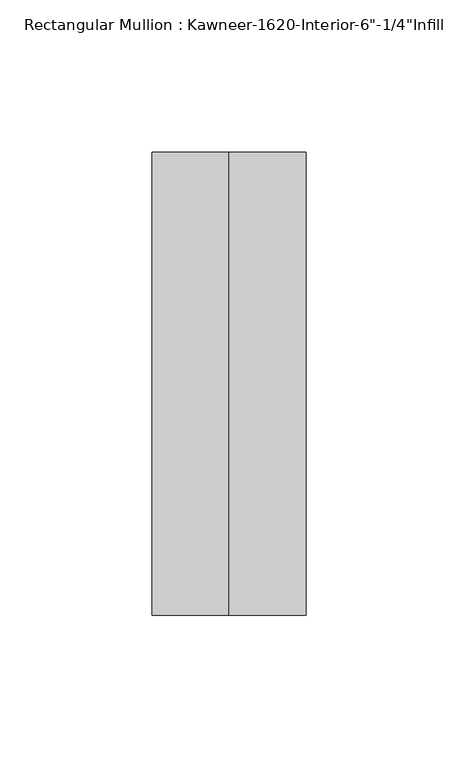
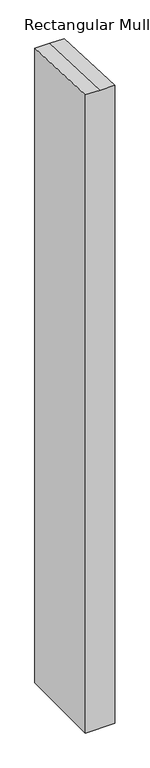
"""IFC4 building model written with IfcOpenShell, lengths in millimetres: member geometry."""

from ifc_helpers import new_model, si_unit, origin, place, context, project, spatial, faceted_brep, source, transform, mapped, element, save


def member_e620a7df(model_context):
    return source(origin(), model_context, "Body", "Brep", [
        faceted_brep([(25.4, -123.825, -1168.1634092), (-25.4, -123.825, -1168.1634092), (-25.4, 28.575, -1168.1634092), (25.4, 28.575, -1168.1634092), (25.4, 28.575, -1.2476114), (25.4, -123.825, 5.4063163), (-25.4, 28.575, -1.2476114), (0.0, 28.575, -1.2476114), (-25.4, -123.825, 5.4063163), (0.0, -123.825, 5.4063163)], [[[0, 1, 2, 3]], [[4, 5, 0, 3]], [[6, 7, 4, 3, 2]], [[8, 6, 2, 1]], [[5, 9, 8, 1, 0]], [[5, 4, 7, 9]], [[7, 6, 8, 9]]]),
    ])


if __name__ == "__main__":
    model = new_model("IFC4")
    model_context = context("Model", 3, world=origin())
    ifc_project = project(units=[si_unit("LENGTHUNIT", "METRE", prefix="MILLI")], contexts=[model_context])
    site = spatial("IfcSite", under=ifc_project)
    building = spatial("IfcBuilding", under=site)
    placement = place(None, origin())
    member_shape = member_e620a7df(model_context)
    element("IfcMember", 1, ObjectType="Rectangular Mullion : Kawneer-1620-Interior-6\"-1/4\"Infill", at=placement, inside=building, context=model_context, shape_type="MappedRepresentation", body=[
        mapped(member_shape, transform((0.0, 0.0, 0.0), x_axis=(1.0, 0.0, 0.0), y_axis=(0.0, 1.0, 0.0), z_axis=(0.0, 0.0, 1.0))),
    ])
    save(model, "model.ifc")
